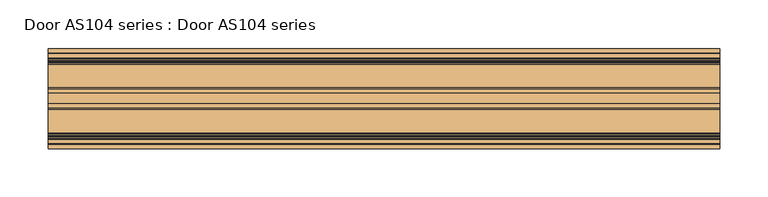
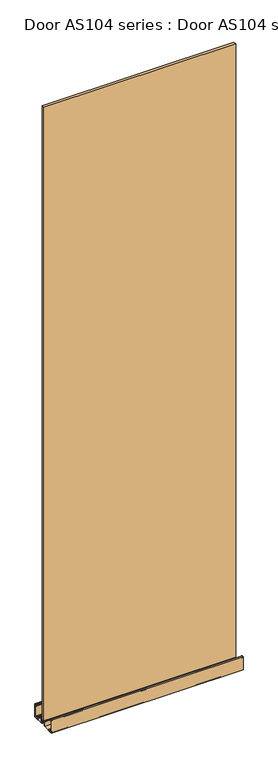
"""IFC4 building model written with IfcOpenShell, lengths in millimetres: door geometry, Door AS104 series : Door AS104 series."""

import ifcopenshell
import ifcopenshell.guid

model = None  # the IFC model being written
_history = None  # IfcOwnerHistory: only IFC2X3 demands one
_inside = {}  # id of a spatial element -> (the spatial element, [elements in it])
_under = {}  # id of a project, library or spatial element -> (it, [spatial elements below it])
_declared = {}  # id of a project -> (the project, [libraries it declares])
_typed = {}  # id of a type object -> (the type object, [elements of that type])
_made_of = {}  # id of a material, layer set ... -> (it, [elements and type objects made of it])


def new_model(schema):
    """Start an empty IFC model of exactly this schema.

    Asked for "IFC4X3", IfcOpenShell would pick the latest addendum, in which some entities
    have other attributes; the version numbers below select the first issue.
    IFC2X3 requires an IfcOwnerHistory on every rooted entity: one is made here for all.
    """
    global model, _history
    if schema == "IFC4X3":
        model = ifcopenshell.file(schema_version=(4, 3, 0, 0))
    else:
        model = ifcopenshell.file(schema=schema)
    _inside.clear()
    _under.clear()
    _declared.clear()
    _typed.clear()
    _made_of.clear()
    _history = None
    if model.schema == "IFC2X3":
        org = make("IfcOrganization", Name="unknown")
        user = make(
            "IfcPersonAndOrganization",
            ThePerson=make("IfcPerson", FamilyName="unknown"),
            TheOrganization=org,
        )
        app = make(
            "IfcApplication",
            ApplicationDeveloper=org,
            Version="unknown",
            ApplicationFullName="unknown",
            ApplicationIdentifier="unknown",
        )
        _history = make(
            "IfcOwnerHistory",
            OwningUser=user,
            OwningApplication=app,
            ChangeAction="ADDED",
            CreationDate=0,
        )
    return model


def make(cls, **values):
    """One entity of the class cls with the attributes given. An attribute that is None is left unset."""
    return model.create_entity(
        cls, **{name: value for name, value in values.items() if value is not None}
    )


def rooted(cls, **values):
    """An entity with a GlobalId (a new one), such as an element, a storey or a relation."""
    return make(cls, GlobalId=ifcopenshell.guid.new(), OwnerHistory=_history, **values)


def si_unit(unit_type, name, prefix=None):
    """IfcSIUnit, for example si_unit("LENGTHUNIT", "METRE", prefix="MILLI")."""
    return make("IfcSIUnit", UnitType=unit_type, Prefix=prefix, Name=name)


def assignment(units):
    """IfcUnitAssignment: the units of a project."""
    return None if units is None else make("IfcUnitAssignment", Units=units)


def point(xyz):
    """IfcCartesianPoint."""
    return None if xyz is None else make("IfcCartesianPoint", Coordinates=xyz)


def direction(xyz):
    """IfcDirection."""
    return None if xyz is None else make("IfcDirection", DirectionRatios=xyz)


def frame(location, z_axis=None, x_axis=None):
    """IfcAxis2Placement3D, a coordinate frame: its origin and axes. An axis left out is left unset."""
    return make(
        "IfcAxis2Placement3D",
        Location=point(location),
        Axis=direction(z_axis),
        RefDirection=direction(x_axis),
    )


def frame_2d(location, x_axis=None):
    """IfcAxis2Placement2D, a coordinate frame in the plane: its origin and x axis."""
    return make(
        "IfcAxis2Placement2D", Location=point(location), RefDirection=direction(x_axis)
    )


def origin():
    """The frame at (0, 0, 0) with its axes left unset."""
    return frame((0.0, 0.0, 0.0))


def place(relative_to, where):
    """IfcLocalPlacement: puts the frame where relative to a parent placement (None: the world)."""
    return make(
        "IfcLocalPlacement", PlacementRelTo=relative_to, RelativePlacement=where
    )


def context(
    kind, dimensions, precision=None, world=None, true_north=None, identifier=None
):
    """IfcGeometricRepresentationContext, for example the 3D "Model" context."""
    return make(
        "IfcGeometricRepresentationContext",
        ContextIdentifier=identifier,
        ContextType=kind,
        CoordinateSpaceDimension=dimensions,
        Precision=precision,
        WorldCoordinateSystem=world,
        TrueNorth=true_north,
    )


def project(units=None, contexts=None):
    """IfcProject with its units and contexts."""
    return rooted(
        "IfcProject",
        Name="project",
        RepresentationContexts=contexts,
        UnitsInContext=assignment(units),
    )


def spatial(cls, under=None, at=None, **own):
    """A site, building, storey or space (cls), placed at a placement, below another one or the project."""
    s = rooted(cls, ObjectPlacement=at, **own)
    if under is not None:
        _under.setdefault(under.id(), (under, []))[1].append(s)
    return s


def polyline(points):
    """IfcPolyline through the points."""
    return make("IfcPolyline", Points=[point(p) for p in points])


def circle_curve(where, radius):
    """IfcCircle in the frame where."""
    return make("IfcCircle", Position=where, Radius=radius)


def trimmed(basis, trim1, trim2, sense, master):
    """IfcTrimmedCurve: the piece of a basis curve between two trims."""
    return make(
        "IfcTrimmedCurve",
        BasisCurve=basis,
        Trim1=trim1,
        Trim2=trim2,
        SenseAgreement=sense,
        MasterRepresentation=master,
    )


def segment(curve, same_sense, transition):
    """IfcCompositeCurveSegment."""
    return make(
        "IfcCompositeCurveSegment",
        Transition=transition,
        SameSense=same_sense,
        ParentCurve=curve,
    )


def composite_curve(segments, self_intersect=None):
    """IfcCompositeCurve: segments joined end to end."""
    return make("IfcCompositeCurve", Segments=segments, SelfIntersect=self_intersect)


def outline(outer, holes=None, kind="AREA"):
    """IfcArbitraryClosedProfileDef: a profile drawn as a closed curve; with holes, ...WithVoids."""
    if holes is None:
        return make("IfcArbitraryClosedProfileDef", ProfileType=kind, OuterCurve=outer)
    return make(
        "IfcArbitraryProfileDefWithVoids",
        ProfileType=kind,
        OuterCurve=outer,
        InnerCurves=holes,
    )


def extrude(swept, where, along, depth):
    """IfcExtrudedAreaSolid: the profile swept, set in the frame where, extruded along a direction by depth."""
    return make(
        "IfcExtrudedAreaSolid",
        SweptArea=swept,
        Position=where,
        ExtrudedDirection=direction(along),
        Depth=depth,
    )


def shape(context_of_items, identifier, shape_type, items):
    """IfcShapeRepresentation: the items that make up one representation, for example the "Body"."""
    return make(
        "IfcShapeRepresentation",
        ContextOfItems=context_of_items,
        RepresentationIdentifier=identifier,
        RepresentationType=shape_type,
        Items=items,
    )


def source(mapping_origin, context_of_items, identifier, shape_type, items):
    """IfcRepresentationMap: a shape defined once, which mapped items show again and again."""
    return make(
        "IfcRepresentationMap",
        MappingOrigin=mapping_origin,
        MappedRepresentation=shape(context_of_items, identifier, shape_type, items),
    )


def transform(
    local_origin,
    x_axis=None,
    y_axis=None,
    z_axis=None,
    scale=None,
    scale2=None,
    scale3=None,
    uniform=True,
):
    """IfcCartesianTransformationOperator3D, or its non-uniform kind. x_axis, y_axis, z_axis: its Axis1, 2, 3."""
    if uniform:
        return make(
            "IfcCartesianTransformationOperator3D",
            Axis1=direction(x_axis),
            Axis2=direction(y_axis),
            LocalOrigin=point(local_origin),
            Scale=scale,
            Axis3=direction(z_axis),
        )
    return make(
        "IfcCartesianTransformationOperator3DnonUniform",
        Axis1=direction(x_axis),
        Axis2=direction(y_axis),
        LocalOrigin=point(local_origin),
        Scale=scale,
        Axis3=direction(z_axis),
        Scale2=scale2,
        Scale3=scale3,
    )


def mapped(mapping_source, mapping_target):
    """IfcMappedItem: shows the shape of a source again, moved by a transform."""
    return make(
        "IfcMappedItem", MappingSource=mapping_source, MappingTarget=mapping_target
    )


def made_of(thing, what):
    """Note that an element or type object is made of a material, layer set ...; save() writes the relation."""
    if what is not None:
        _made_of.setdefault(what.id(), (what, []))[1].append(thing)
    return thing


def element(
    cls,
    number,
    at=None,
    inside=None,
    cuts=None,
    type_object=None,
    material=None,
    context=None,
    identifier="Body",
    shape_type=None,
    held_by="IfcProductDefinitionShape",
    body=None,
    shapes=None,
    **own,
):
    """One element of the class cls, such as IfcWall. Its Tag is "e" and its number.

    at: its placement. inside: the storey or other place that contains it. cuts: it is an
    opening in that element (IfcRelVoidsElement). A single representation is given by context,
    identifier, shape_type and body (its items); several are given by shapes. held_by: the class
    of the entity that holds the representations. save() writes the other relations.
    """
    e = rooted(cls, Tag="e%d" % number, ObjectPlacement=at, **own)
    if body is not None:
        shapes = [shape(context, identifier, shape_type, body)]
    if shapes is not None:
        e.Representation = make(held_by, Representations=shapes)
    if inside is not None:
        _inside.setdefault(inside.id(), (inside, []))[1].append(e)
    if cuts is not None:
        rooted(
            "IfcRelVoidsElement", RelatingBuildingElement=cuts, RelatedOpeningElement=e
        )
    if type_object is not None:
        _typed.setdefault(type_object.id(), (type_object, []))[1].append(e)
    return made_of(e, material)


def aggregate(whole, parts):
    """IfcRelAggregates: a whole, such as a stair, and the parts it consists of."""
    return rooted("IfcRelAggregates", RelatingObject=whole, RelatedObjects=parts)


def save(model, path):
    """Write the relations noted so far, then the file.

    IfcRelAggregates (storeys below a building ...), IfcRelContainedInSpatialStructure (elements
    in a storey), IfcRelDefinesByType, IfcRelAssociatesMaterial and IfcRelDeclares: one each for
    every whole, place, type object, material and project.
    """
    for whole, parts in _under.values():
        aggregate(whole, parts)
    for where, things in _inside.values():
        rooted(
            "IfcRelContainedInSpatialStructure",
            RelatedElements=things,
            RelatingStructure=where,
        )
    for kind, things in _typed.values():
        rooted("IfcRelDefinesByType", RelatedObjects=things, RelatingType=kind)
    for what, things in _made_of.values():
        rooted("IfcRelAssociatesMaterial", RelatedObjects=things, RelatingMaterial=what)
    for by, libraries in _declared.values():
        rooted("IfcRelDeclares", RelatingContext=by, RelatedDefinitions=libraries)
    model.write(path)


def door_as104_series_door_as104_series_1c9d4e97(model_context):
    return source(origin(), model_context, "Body", "SweptSolid", [
        extrude(outline(polyline([(348.9002298, 5.0), (348.9002298, -5.0), (-348.9002298, -5.0), (-348.9002298, 5.0), (348.9002298, 5.0)])), frame((0.0, 0.0, 19.5748277), z_axis=(0.0, 0.0, 1.0), x_axis=(1.0, 0.0, 0.0)), (0.0, 0.0, 1.0), 2360.8503447),
        extrude(outline(composite_curve([segment(polyline([(9.7397316, 2.3590177), (8.0332081, 2.3590177)]), True, "CONTINUOUS"), segment(trimmed(circle_curve(frame_2d((8.0332081, 2.8609364)), 0.5019187), [point((8.0332081, 2.3590177))], [point((7.5312895, 2.8609364))], False, "CARTESIAN"), True, "CONTINUOUS"), segment(polyline([(7.5312895, 2.8609364), (7.5312895, 4.4663086)]), True, "CONTINUOUS"), segment(trimmed(circle_curve(frame_2d((8.0332081, 4.4663086)), 0.5019187), [point((7.5312895, 4.4663086))], [point((8.5351268, 4.4663086))], False, "CARTESIAN"), True, "CONTINUOUS"), segment(polyline([(8.5351268, 4.4663086), (8.5351268, 3.6640062), (9.940499, 3.6640062), (9.940499, 9.0847277), (8.5351268, 9.0847277), (8.5351268, 8.2824253)]), True, "CONTINUOUS"), segment(trimmed(circle_curve(frame_2d((8.0332081, 8.2824253)), 0.5019187), [point((8.5351268, 8.2824253))], [point((7.5312895, 8.2824253))], False, "CARTESIAN"), True, "CONTINUOUS"), segment(polyline([(7.5312895, 8.2824253), (7.5312895, 9.8877976)]), True, "CONTINUOUS"), segment(trimmed(circle_curve(frame_2d((8.0332081, 9.8877976)), 0.5019187), [point((7.5312895, 9.8877976))], [point((8.0332081, 10.3897162))], False, "CARTESIAN"), True, "CONTINUOUS"), segment(polyline([(8.0332081, 10.3897162), (9.7397316, 10.3897162), (9.7397316, 18.0188798), (-9.7397316, 18.0188798), (-9.7397316, 10.3897162), (-8.0332081, 10.3897162)]), True, "CONTINUOUS"), segment(trimmed(circle_curve(frame_2d((-8.0332081, 9.8877976)), 0.5019187), [point((-8.0332081, 10.3897162))], [point((-7.5312895, 9.8877976))], False, "CARTESIAN"), True, "CONTINUOUS"), segment(polyline([(-7.5312895, 9.8877976), (-7.5312895, 8.2824253)]), True, "CONTINUOUS"), segment(trimmed(circle_curve(frame_2d((-8.0332081, 8.2824253)), 0.5019187), [point((-7.5312895, 8.2824253))], [point((-8.5351268, 8.2824253))], False, "CARTESIAN"), True, "CONTINUOUS"), segment(polyline([(-8.5351268, 8.2824253), (-8.5351268, 9.0847277), (-9.940499, 9.0847277), (-9.940499, 3.6640062), (-8.5351268, 3.6640062), (-8.5351268, 4.4663086)]), True, "CONTINUOUS"), segment(trimmed(circle_curve(frame_2d((-8.0332081, 4.4663086)), 0.5019187), [point((-8.5351268, 4.4663086))], [point((-7.5312895, 4.4663086))], False, "CARTESIAN"), True, "CONTINUOUS"), segment(polyline([(-7.5312895, 4.4663086), (-7.5312895, 2.8609364)]), True, "CONTINUOUS"), segment(trimmed(circle_curve(frame_2d((-8.0332081, 2.8609364)), 0.5019187), [point((-7.5312895, 2.8609364))], [point((-8.0332081, 2.3590177))], False, "CARTESIAN"), True, "CONTINUOUS"), segment(polyline([(-8.0332081, 2.3590177), (-9.7397316, 2.3590177), (-9.7397316, 0.0), (-51.998773, 0.0), (-51.998773, 50.0959329), (-47.6822725, 50.0959329)]), True, "CONTINUOUS"), segment(trimmed(circle_curve(frame_2d((-47.6822725, 49.3932468)), 0.7026861), [point((-47.6822725, 50.0959329))], [point((-47.6822725, 48.6905607))], False, "CARTESIAN"), True, "CONTINUOUS"), segment(polyline([(-47.6822725, 48.6905607), (-50.6435926, 48.6905607), (-50.6435926, 45.4280894), (-48.9370692, 45.4280894)]), True, "CONTINUOUS"), segment(trimmed(circle_curve(frame_2d((-48.9370692, 44.6250195)), 0.8030699), [point((-48.9370692, 45.4280894))], [point((-48.1339993, 44.6250195))], False, "CARTESIAN"), True, "CONTINUOUS"), segment(polyline([(-48.1339993, 44.6250195), (-48.1339993, 43.4204148)]), True, "CONTINUOUS"), segment(trimmed(circle_curve(frame_2d((-48.635918, 43.4204148)), 0.5019187), [point((-48.1339993, 43.4204148))], [point((-49.1378366, 43.4204148))], False, "CARTESIAN"), True, "CONTINUOUS"), segment(polyline([(-49.1378366, 43.4204148), (-49.1378366, 44.4242521), (-50.6435926, 44.4242521), (-50.6435926, 1.3551804), (-49.1378366, 1.3551804), (-49.1378366, 2.3590177)]), True, "CONTINUOUS"), segment(trimmed(circle_curve(frame_2d((-48.635918, 2.3590177)), 0.5019187), [point((-49.1378366, 2.3590177))], [point((-48.1339993, 2.3590177))], False, "CARTESIAN"), True, "CONTINUOUS"), segment(polyline([(-48.1339993, 2.3590177), (-48.1339993, 1.3551804), (-41.4082317, 1.3551804)]), True, "CONTINUOUS"), segment(trimmed(circle_curve(frame_2d((-38.9488879, 3.261885)), 3.1118957), [point((-41.4082317, 1.3551804))], [point((-41.283567, 5.3193515))], False, "CARTESIAN"), True, "CONTINUOUS"), segment(trimmed(circle_curve(frame_2d((-40.7187253, 4.8215773)), 0.752878), [point((-41.283567, 5.3193515))], [point((-40.1538836, 4.3238032))], False, "CARTESIAN"), True, "CONTINUOUS"), segment(trimmed(circle_curve(frame_2d((-38.9488879, 3.261885)), 1.6061397), [point((-40.1538836, 4.3238032))], [point((-38.9939217, 1.6563768))], True, "CARTESIAN"), True, "CONTINUOUS"), segment(trimmed(circle_curve(frame_2d((-38.9488879, 3.261885)), 1.6061397), [point((-38.9939217, 1.6563768))], [point((-37.7438922, 4.3238032))], True, "CARTESIAN"), True, "CONTINUOUS"), segment(trimmed(circle_curve(frame_2d((-37.1790505, 4.8215773)), 0.752878), [point((-37.7438922, 4.3238032))], [point((-36.6142088, 5.3193515))], False, "CARTESIAN"), True, "CONTINUOUS"), segment(trimmed(circle_curve(frame_2d((-38.9488879, 3.261885)), 3.1118957), [point((-36.6142088, 5.3193515))], [point((-36.1372659, 1.9282147))], False, "CARTESIAN"), True, "CONTINUOUS"), segment(trimmed(circle_curve(frame_2d((-35.7744765, 1.7561284)), 0.4015343), [point((-36.1372659, 1.9282147))], [point((-35.7744765, 1.3545941))], True, "CARTESIAN"), True, "CONTINUOUS"), segment(polyline([(-35.7744765, 1.3545941), (-11.2956794, 1.3545941), (-11.2956794, 18.3702229)]), True, "CONTINUOUS"), segment(trimmed(circle_curve(frame_2d((-10.0910746, 18.3702229)), 1.2046048), [point((-11.2956794, 18.3702229))], [point((-10.0910746, 19.5748277))], False, "CARTESIAN"), True, "CONTINUOUS"), segment(polyline([(-10.0910746, 19.5748277), (10.0910746, 19.5748277)]), True, "CONTINUOUS"), segment(trimmed(circle_curve(frame_2d((10.0910746, 18.3702229)), 1.2046048), [point((10.0910746, 19.5748277))], [point((11.2956794, 18.3702229))], False, "CARTESIAN"), True, "CONTINUOUS"), segment(polyline([(11.2956794, 18.3702229), (11.2956794, 1.3545941), (35.7744765, 1.3545941)]), True, "CONTINUOUS"), segment(trimmed(circle_curve(frame_2d((35.7744765, 1.7561284)), 0.4015343), [point((35.7744765, 1.3545941))], [point((36.1372659, 1.9282147))], True, "CARTESIAN"), True, "CONTINUOUS"), segment(trimmed(circle_curve(frame_2d((38.9488879, 3.261885)), 3.1118957), [point((36.1372659, 1.9282147))], [point((36.6142088, 5.3193515))], False, "CARTESIAN"), True, "CONTINUOUS"), segment(trimmed(circle_curve(frame_2d((37.1790505, 4.8215773)), 0.752878), [point((36.6142088, 5.3193515))], [point((37.7438922, 4.3238032))], False, "CARTESIAN"), True, "CONTINUOUS"), segment(trimmed(circle_curve(frame_2d((38.9488879, 3.261885)), 1.6061397), [point((37.7438922, 4.3238032))], [point((38.9185853, 1.6560312))], True, "CARTESIAN"), True, "CONTINUOUS"), segment(trimmed(circle_curve(frame_2d((38.9488879, 3.261885)), 1.6061397), [point((38.9185853, 1.6560312))], [point((40.1538835, 4.3238032))], True, "CARTESIAN"), True, "CONTINUOUS"), segment(trimmed(circle_curve(frame_2d((40.7187253, 4.8215773)), 0.752878), [point((40.1538835, 4.3238032))], [point((41.283567, 5.3193515))], False, "CARTESIAN"), True, "CONTINUOUS"), segment(trimmed(circle_curve(frame_2d((38.9488879, 3.261885)), 3.1118957), [point((41.283567, 5.3193515))], [point((41.4077771, 1.3545941))], False, "CARTESIAN"), True, "CONTINUOUS"), segment(polyline([(41.4077771, 1.3545941), (48.1339993, 1.3545941), (48.1339993, 2.3590177)]), True, "CONTINUOUS"), segment(trimmed(circle_curve(frame_2d((48.635918, 2.3590177)), 0.5019187), [point((48.1339993, 2.3590177))], [point((49.1378366, 2.3590177))], False, "CARTESIAN"), True, "CONTINUOUS"), segment(polyline([(49.1378366, 2.3590177), (49.1378366, 1.3551804), (50.6435926, 1.3551804), (50.6435926, 44.4242521), (49.1378366, 44.4242521), (49.1378366, 43.4204148)]), True, "CONTINUOUS"), segment(trimmed(circle_curve(frame_2d((48.635918, 43.4204148)), 0.5019187), [point((49.1378366, 43.4204148))], [point((48.1339993, 43.4204148))], False, "CARTESIAN"), True, "CONTINUOUS"), segment(polyline([(48.1339993, 43.4204148), (48.1339993, 44.6250195)]), True, "CONTINUOUS"), segment(trimmed(circle_curve(frame_2d((48.9370692, 44.6250195)), 0.8030699), [point((48.1339993, 44.6250195))], [point((48.9370692, 45.4280894))], False, "CARTESIAN"), True, "CONTINUOUS"), segment(polyline([(48.9370692, 45.4280894), (50.6435926, 45.4280894), (50.6435926, 48.6905607), (47.6822725, 48.6905607)]), True, "CONTINUOUS"), segment(trimmed(circle_curve(frame_2d((47.6822725, 49.3932468)), 0.7026861), [point((47.6822725, 48.6905607))], [point((47.6822725, 50.0959329))], False, "CARTESIAN"), True, "CONTINUOUS"), segment(polyline([(47.6822725, 50.0959329), (51.998773, 50.0959329), (51.998773, 0.0), (9.7397316, 0.0), (9.7397316, 2.3590177)]), True, "CONTINUOUS")], self_intersect=False)), frame((-348.9002298, 0.0, 0.0), z_axis=(1.0, 0.0, 0.0), x_axis=(0.0, 1.0, 0.0)), (0.0, 0.0, 1.0), 697.8004595),
    ])


if __name__ == "__main__":
    model = new_model("IFC4")
    model_context = context("Model", 3, world=origin())
    ifc_project = project(units=[si_unit("LENGTHUNIT", "METRE", prefix="MILLI")], contexts=[model_context])
    site = spatial("IfcSite", under=ifc_project)
    building = spatial("IfcBuilding", under=site)
    placement = place(None, origin())
    door_as104_series_door_as104_series_shape = door_as104_series_door_as104_series_1c9d4e97(model_context)
    element("IfcDoor", 1, ObjectType="Door AS104 series : Door AS104 series", at=placement, inside=building, context=model_context, shape_type="MappedRepresentation", body=[
        mapped(door_as104_series_door_as104_series_shape, transform((0.0, 0.0, 0.0), x_axis=(1.0, 0.0, 0.0), y_axis=(0.0, 1.0, 0.0), z_axis=(0.0, 0.0, 1.0))),
    ])
    save(model, "model.ifc")
